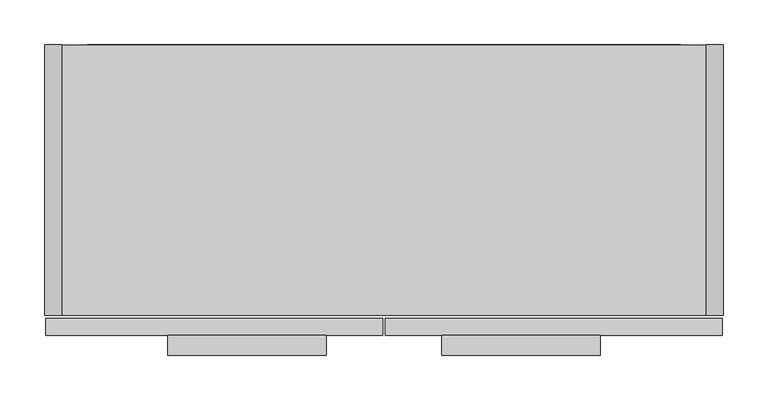
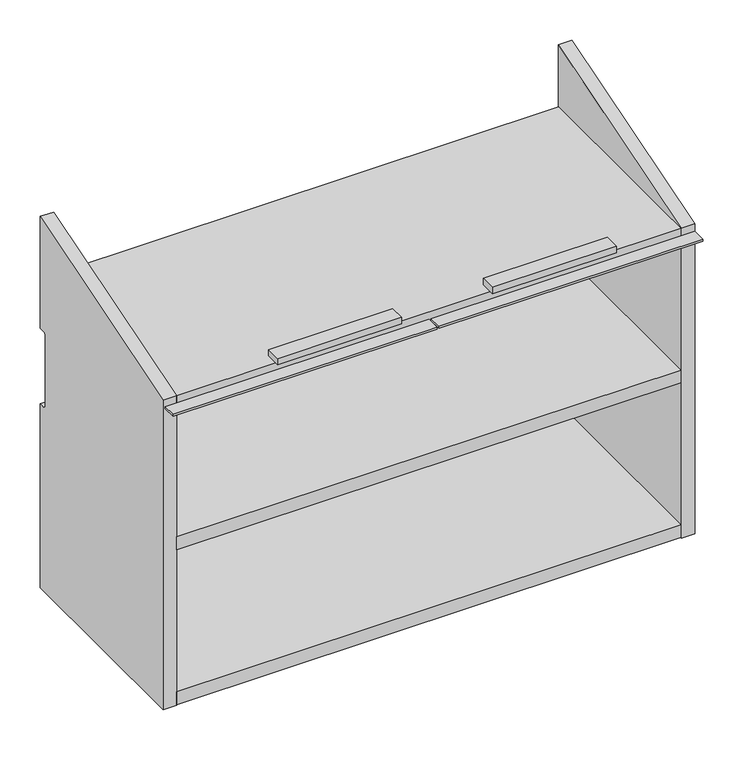
"""IFC4 building model written with IfcOpenShell, lengths in millimetres: furniture geometry."""

from ifc_helpers import new_model, si_unit, frame, origin, place, context, project, spatial, polyline, circle_curve, outline, extrude, faceted_brep, source, transform, mapped, element, save
from ifc_brep_helpers import plane_surface, revolved_surface, advanced_brep


def furniture_3bcaaaba(model_context):
    return source(origin(), model_context, "Body", "SolidModel", [
        extrude(outline(polyline([(623.8875, -349.25), (446.0875, -349.25), (446.0875, -327.025), (623.8875, -327.025), (623.8875, -349.25)])), frame((0.0, 0.0, 1898.0531), z_axis=(0.0, 0.0, 1.0), x_axis=(1.0, 0.0, 0.0)), (0.0, 0.0, 1.0), 9.525),
        extrude(outline(polyline([(315.9125, -349.25), (138.1125, -349.25), (138.1125, -327.025), (315.9125, -327.025), (315.9125, -349.25)])), frame((0.0, 0.0, 1898.0531), z_axis=(0.0, 0.0, 1.0), x_axis=(1.0, 0.0, 0.0)), (0.0, 0.0, 1.0), 9.525),
        extrude(outline(polyline([(760.4125, -327.025), (382.5875, -327.025), (382.5875, -307.721), (760.4125, -307.721), (760.4125, -327.025)])), frame((0.0, 0.0, 1854.2), z_axis=(0.0, 0.0, 1.0), x_axis=(1.0, 0.0, 0.0)), (0.0, 0.0, 1.0), 2.9971999),
        extrude(outline(polyline([(379.4125, -327.025), (1.5875, -327.025), (1.5875, -307.721), (379.4125, -307.721), (379.4125, -327.025)])), frame((0.0, 0.0, 1854.2), z_axis=(0.0, 0.0, 1.0), x_axis=(1.0, 0.0, 0.0)), (0.0, 0.0, 1.0), 2.9971999),
        faceted_brep([(742.696, -304.546, 1397.0), (762.0, -304.546, 1397.0), (762.0, -304.546, 1865.9094), (742.696, -304.546, 1865.9094), (762.0, 0.0, 1959.2544), (762.0, 0.0, 1397.0), (742.696, 0.0, 1397.0), (742.696, 0.0, 1959.2544)], [[[0, 1, 2, 3]], [[4, 5, 6, 7]], [[7, 6, 0, 3]], [[1, 0, 6, 5]], [[5, 4, 2, 1]], [[3, 2, 4, 7]]]),
        extrude(outline(polyline([(742.061, -304.546), (19.939, -304.546), (19.939, -31.242), (742.061, -31.242), (742.061, -304.546)])), frame((0.0, 0.0, 1632.3564), z_axis=(0.0, 0.0, 1.0), x_axis=(1.0, 0.0, 0.0)), (0.0, 0.0, 1.0), 19.304),
        extrude(outline(polyline([(742.696, -304.546), (19.304, -304.546), (19.304, -0.9906), (742.696, -0.9906), (742.696, -304.546)])), frame((0.0, 0.0, 1397.9906), z_axis=(0.0, 0.0, 1.0), x_axis=(1.0, 0.0, 0.0)), (0.0, 0.0, 1.0), 19.304),
        extrude(outline(polyline([(742.696, -11.938), (742.696, -31.242), (19.304, -31.242), (19.304, -11.938), (742.696, -11.938)])), frame((0.0, 0.0, 1417.2946), z_axis=(0.0, 0.0, 1.0), x_axis=(1.0, 0.0, 0.0)), (0.0, 0.0, 1.0), 429.3108),
        advanced_brep(
        [(0.0, -304.546, 1397.0), (19.304, -304.546, 1397.0), (19.304, -304.546, 1865.9094), (0.0, -304.546, 1865.9094), (19.304, 0.0, 1397.0), (0.0, 0.0, 1397.0), (0.0, 0.0, 1675.8920057), (19.304, 0.0, 1675.8920057), (19.304, 0.0, 1959.2544), (19.304, 0.0, 1790.1919875), (0.0, 0.0, 1790.1919875), (0.0, 0.0, 1959.2544), (0.0, -8.7634487, 1790.1919875), (0.0, -11.938, 1787.0174363), (0.0, -11.938, 1679.0670057), (0.0, -8.763, 1675.8920057), (19.304, -8.763, 1675.8920057), (19.304, -11.938, 1679.0670057), (19.304, -11.938, 1787.0174363), (19.304, -8.7634487, 1790.1919875)],
        [
            (0, 1),
            (1, 2),
            (2, 3),
            (3, 0),
            (4, 5),
            (5, 6),
            (6, 7),
            (7, 4),
            (8, 9),
            (9, 10),
            (10, 11),
            (11, 8),
            (5, 0),
            (3, 11),
            (10, 12),
            (12, 13, circle_curve(frame((0.0, -8.7634487, 1787.0174363), z_axis=(1.0, 0.0, 0.0), x_axis=(0.0, 1.0, 0.0)), 3.1745513)),
            (13, 14),
            (14, 15, circle_curve(frame((0.0, -8.763, 1679.0670057), z_axis=(1.0, 0.0, 0.0), x_axis=(0.0, 1.0, 0.0)), 3.175)),
            (15, 6),
            (4, 1),
            (7, 16),
            (16, 17, circle_curve(frame((19.304, -8.763, 1679.0670057), z_axis=(-1.0, 0.0, 0.0), x_axis=(0.0, 1.0, 0.0)), 3.175)),
            (17, 18),
            (18, 19, circle_curve(frame((19.304, -8.7634487, 1787.0174363), z_axis=(-1.0, 0.0, 0.0), x_axis=(0.0, 1.0, 0.0)), 3.1745513)),
            (19, 9),
            (8, 2),
            (12, 19),
            (18, 13),
            (17, 14),
            (16, 15),
        ],
        [
            plane_surface(frame((0.0, -304.546, 1959.2544), z_axis=(0.0, -1.0, 0.0), x_axis=(-1.0, 0.0, 0.0))),
            plane_surface(frame((0.0, 0.0, 1959.2544), z_axis=(0.0, 1.0, 0.0), x_axis=(1.0, 0.0, 0.0))),
            plane_surface(frame((0.0, -304.546, 1959.2544), z_axis=(-1.0, 0.0, 0.0), x_axis=(0.0, 1.0, 0.0))),
            plane_surface(frame((0.0, -304.546, 1397.0), z_axis=(0.0, 0.0, -1.0), x_axis=(0.0, 1.0, 0.0))),
            plane_surface(frame((19.304, -304.546, 1397.0), z_axis=(1.0, 0.0, 0.0), x_axis=(0.0, 1.0, 0.0))),
            revolved_surface(polyline([(19.304, -5.5888974, 1787.0174363), (0.0, -5.5888974, 1787.0174363)]), (0.0, -8.7634487, 1787.0174363), (1.0, 0.0, 0.0)),
            plane_surface(frame((762.0, -11.938, 1787.0174363), z_axis=(0.0, 1.0, 0.0), x_axis=(-1.0, 0.0, 0.0))),
            revolved_surface(polyline([(19.304, -5.588, 1679.0670057), (0.0, -5.588, 1679.0670057)]), (0.0, -8.763, 1679.0670057), (1.0, 0.0, 0.0)),
            plane_surface(frame((762.0, -8.763, 1675.8920057), z_axis=(0.0, 0.0, 1.0), x_axis=(-1.0, 0.0, 0.0))),
            plane_surface(frame((762.0, 3.302, 1790.1919875), z_axis=(0.0, 0.0, -1.0), x_axis=(-1.0, 0.0, 0.0))),
            plane_surface(frame((19.939, -304.546, 1865.9094), z_axis=(0.0, -0.2930490766173678, 0.9560974002128173), x_axis=(-1.0, 0.0, 0.0))),
        ],
        [
            (0, [[1, 2, 3, 4]]),
            (1, [[5, 6, 7, 8]]),
            (1, [[9, 10, 11, 12]]),
            (2, [[13, -4, 14, -11, 15, 16, 17, 18, 19, -6]]),
            (3, [[-1, -13, -5, 20]]),
            (4, [[-20, -8, 21, 22, 23, 24, 25, -9, 26, -2]]),
            (5, [[27, -24, 28, -16]]),
            (6, [[-28, -23, 29, -17]]),
            (7, [[-29, -22, 30, -18]]),
            (8, [[-30, -21, -7, -19]]),
            (9, [[-27, -15, -10, -25]]),
            (10, [[-3, -26, -12, -14]]),
        ],
    ),
        extrude(outline(polyline([(742.696, -304.546), (19.304, -304.546), (19.304, -0.9906), (742.696, -0.9906), (742.696, -304.546)])), frame((0.0, 0.0, 1846.6054), z_axis=(0.0, 0.0, 1.0), x_axis=(1.0, 0.0, 0.0)), (0.0, 0.0, 1.0), 19.304),
        extrude(outline(polyline([(-11.938, 1782.9867471), (-11.938, 1846.6054), (0.0, 1846.6054), (0.0, 1762.3095168), (-11.938, 1782.9867471)])), frame((48.0060087, 0.0, 0.0), z_axis=(1.0, 0.0, 0.0), x_axis=(0.0, 1.0, 0.0)), (0.0, 0.0, 1.0), 665.9879826),
    ])


if __name__ == "__main__":
    model = new_model("IFC4")
    model_context = context("Model", 3, world=origin())
    ifc_project = project(units=[si_unit("LENGTHUNIT", "METRE", prefix="MILLI")], contexts=[model_context])
    site = spatial("IfcSite", under=ifc_project)
    building = spatial("IfcBuilding", under=site)
    placement = place(None, origin())
    furniture_shape = furniture_3bcaaaba(model_context)
    element("IfcFurniture", 1, at=placement, inside=building, context=model_context, shape_type="MappedRepresentation", body=[
        mapped(furniture_shape, transform((0.0, 0.0, 0.0), x_axis=(1.0, 0.0, 0.0), y_axis=(0.0, 1.0, 0.0), z_axis=(0.0, 0.0, 1.0))),
    ])
    save(model, "model.ifc")
